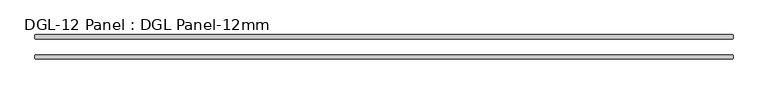
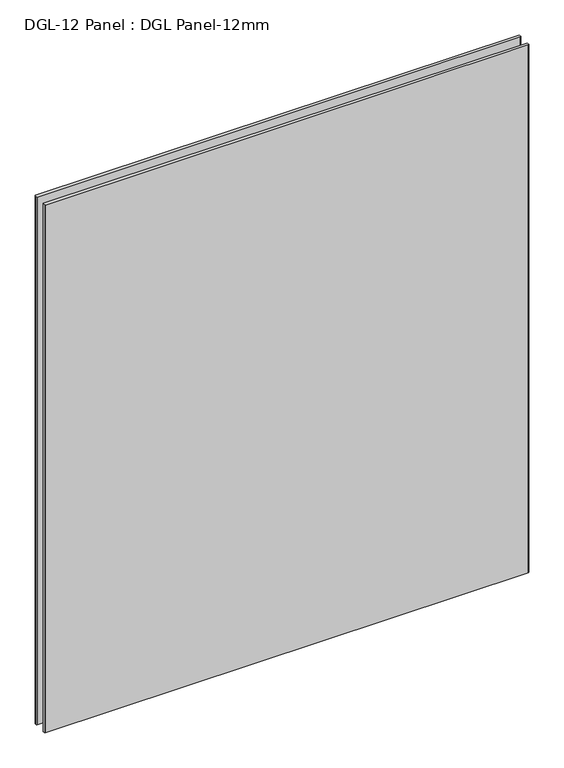
"""IFC4 building model written with IfcOpenShell, lengths in millimetres: plate geometry, DGL-12 Panel : DGL Panel-12mm."""

from ifc_helpers import new_model, si_unit, origin, origin_with_axes, place, context, project, spatial, polyline, outline, extrude, source, transform, mapped, element, save


def dgl_12_panel_dgl_panel_12mm_82e92007(model_context):
    return source(origin(), model_context, "Body", "SweptSolid", [
        extrude(outline(polyline([(1014.015625, -22.9195313), (1015.603125, -24.5070313), (1015.603125, -34.0320313), (1014.015625, -35.6195313), (-1014.015625, -35.6195313), (-1015.603125, -34.0320313), (-1015.603125, -24.5070313), (-1014.015625, -22.9195313), (1014.015625, -22.9195313)])), origin_with_axes(), (0.0, 0.0, 1.0), 2339.4622278),
        extrude(outline(polyline([(1014.015625, 35.6195312), (1015.603125, 34.0320312), (1015.603125, 24.5070312), (1014.015625, 22.9195312), (-1014.015625, 22.9195312), (-1015.603125, 24.5070312), (-1015.603125, 34.0320312), (-1014.015625, 35.6195312), (1014.015625, 35.6195312)])), origin_with_axes(), (0.0, 0.0, 1.0), 2339.4622278),
    ])


if __name__ == "__main__":
    model = new_model("IFC4")
    model_context = context("Model", 3, world=origin())
    ifc_project = project(units=[si_unit("LENGTHUNIT", "METRE", prefix="MILLI")], contexts=[model_context])
    site = spatial("IfcSite", under=ifc_project)
    building = spatial("IfcBuilding", under=site)
    placement = place(None, origin())
    dgl_12_panel_dgl_panel_12mm_shape = dgl_12_panel_dgl_panel_12mm_82e92007(model_context)
    element("IfcPlate", 1, ObjectType="DGL-12 Panel : DGL Panel-12mm", at=placement, inside=building, context=model_context, shape_type="MappedRepresentation", body=[
        mapped(dgl_12_panel_dgl_panel_12mm_shape, transform((0.0, 0.0, 0.0), x_axis=(1.0, 0.0, 0.0), y_axis=(0.0, 1.0, 0.0), z_axis=(0.0, 0.0, 1.0))),
    ])
    save(model, "model.ifc")
